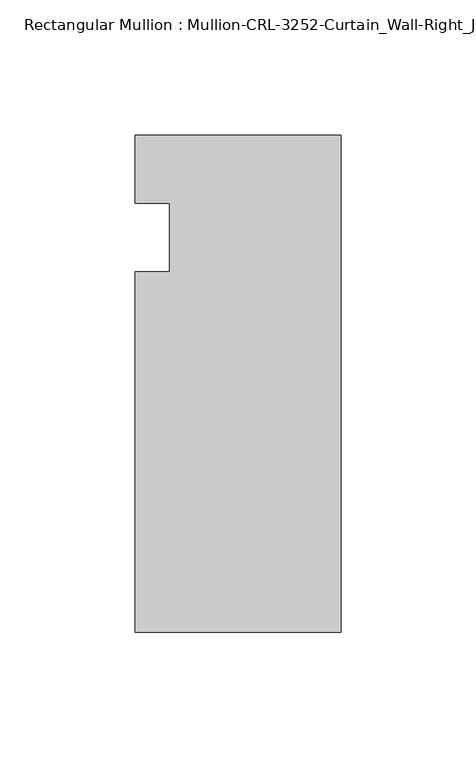
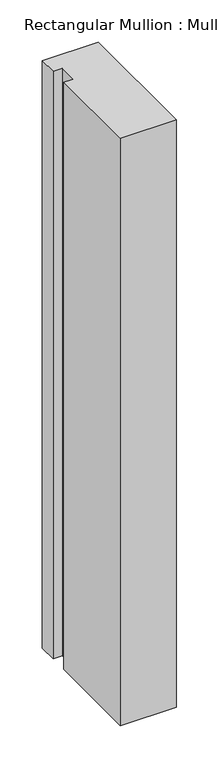
"""IFC4 building model written with IfcOpenShell, lengths in millimetres: member geometry, Rectangular Mullion : Mullion-CRL-3252-Curtain_Wall-Right_Jamb."""

from ifc_helpers import new_model, si_unit, frame, origin, place, context, project, spatial, polyline, outline, extrude, source, transform, mapped, element, save


def rectangular_mullion_mullion_crl_3252_curtain_wall_right_jamb_0e137778(model_context):
    return source(origin(), model_context, "Body", "SweptSolid", [
        extrude(outline(polyline([(0.0, -146.0054758), (-76.1947014, -146.0054758), (-76.1947014, -12.7), (-63.5026672, -12.7), (-63.5026672, 12.7), (-76.1947014, 12.7), (-76.1947014, 37.8626457), (0.0, 37.8626457), (0.0, -146.0054758)])), frame((0.0, 0.0, -845.8398438), z_axis=(0.0, 0.0, 1.0), x_axis=(1.0, 0.0, 0.0)), (0.0, 0.0, 1.0), 845.8398438),
    ])


if __name__ == "__main__":
    model = new_model("IFC4")
    model_context = context("Model", 3, world=origin())
    ifc_project = project(units=[si_unit("LENGTHUNIT", "METRE", prefix="MILLI")], contexts=[model_context])
    site = spatial("IfcSite", under=ifc_project)
    building = spatial("IfcBuilding", under=site)
    placement = place(None, origin())
    rectangular_mullion_mullion_crl_3252_curtain_wall_right_jamb_shape = rectangular_mullion_mullion_crl_3252_curtain_wall_right_jamb_0e137778(model_context)
    element("IfcMember", 1, ObjectType="Rectangular Mullion : Mullion-CRL-3252-Curtain_Wall-Right_Jamb", at=placement, inside=building, context=model_context, shape_type="MappedRepresentation", body=[
        mapped(rectangular_mullion_mullion_crl_3252_curtain_wall_right_jamb_shape, transform((0.0, 0.0, 0.0), x_axis=(1.0, 0.0, 0.0), y_axis=(0.0, 1.0, 0.0), z_axis=(0.0, 0.0, 1.0))),
    ])
    save(model, "model.ifc")
